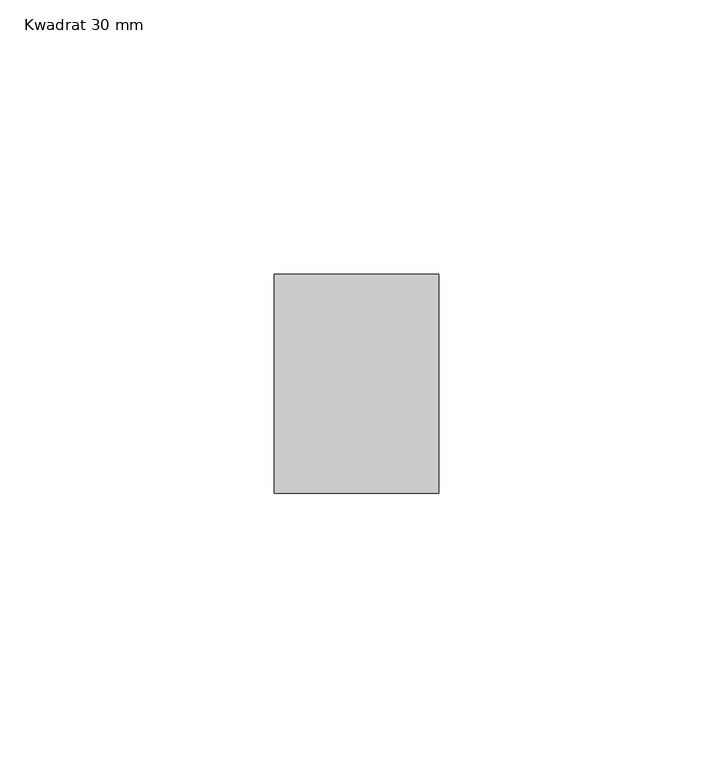
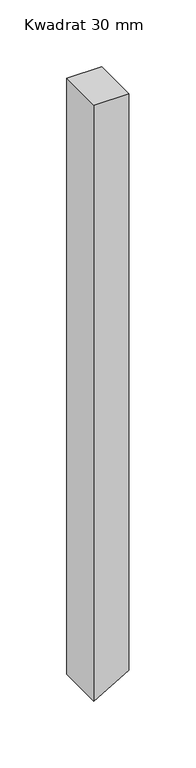
"""IFC4 building model written with IfcOpenShell, lengths in millimetres: member geometry, Kwadrat 30 mm."""

from ifc_helpers import new_model, si_unit, frame, origin, place, context, project, spatial, polyline, outline, extrude, source, transform, mapped, element, save


def kwadrat_30_mm_bb5d0950(model_context):
    return source(origin(), model_context, "Body", "SweptSolid", [
        extrude(outline(polyline([(0.0, 15.0), (0.0, -15.0), (-543.1011064, -15.0), (-525.7805983, 15.0), (0.0, 15.0)])), frame((0.0, -20.0, 0.0), z_axis=(0.0, 1.0, 0.0), x_axis=(0.0, 0.0, 1.0)), (0.0, 0.0, 1.0), 40.0),
    ])


if __name__ == "__main__":
    model = new_model("IFC4")
    model_context = context("Model", 3, world=origin())
    ifc_project = project(units=[si_unit("LENGTHUNIT", "METRE", prefix="MILLI")], contexts=[model_context])
    site = spatial("IfcSite", under=ifc_project)
    building = spatial("IfcBuilding", under=site)
    placement = place(None, origin())
    kwadrat_30_mm_shape = kwadrat_30_mm_bb5d0950(model_context)
    element("IfcMember", 1, ObjectType="Kwadrat 30 mm", at=placement, inside=building, context=model_context, shape_type="MappedRepresentation", body=[
        mapped(kwadrat_30_mm_shape, transform((0.0, 0.0, 0.0), x_axis=(1.0, 0.0, 0.0), y_axis=(0.0, 1.0, 0.0), z_axis=(0.0, 0.0, 1.0))),
    ])
    save(model, "model.ifc")
